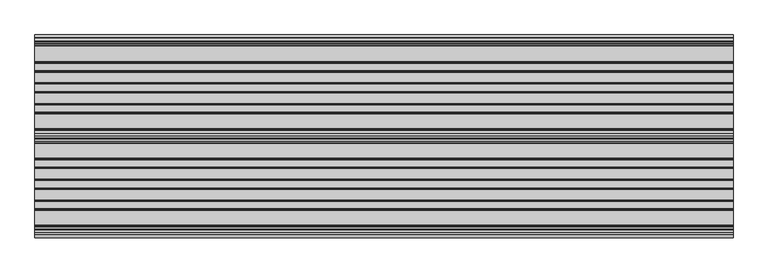
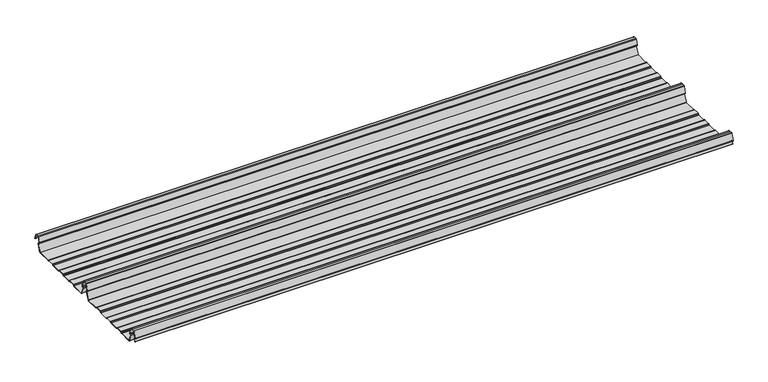
"""IFC4 building model written with IfcOpenShell, lengths in millimetres: beam geometry."""

from ifc_helpers import new_model, si_unit, point, frame, frame_2d, origin, place, context, project, spatial, polyline, circle_curve, trimmed, segment, composite_curve, outline, extrude, source, transform, mapped, element, save


def beam_1dca5ccc(model_context):
    return source(origin(), model_context, "Body", "SweptSolid", [
        extrude(outline(composite_curve([segment(polyline([(231.1362436, -25.7896475), (192.6213203, -25.7896475)]), True, "CONTINUOUS"), segment(trimmed(circle_curve(frame_2d((192.6213203, -24.0396475)), 1.75), [point((192.6213203, -25.7896475))], [point((191.3838835, -25.2770843))], False, "CARTESIAN"), True, "CONTINUOUS"), segment(polyline([(191.3838835, -25.2770843), (189.2211155, -23.1143163)]), True, "CONTINUOUS"), segment(trimmed(circle_curve(frame_2d((188.4372955, -23.8981363)), 1.1084889), [point((189.2211155, -23.1143163))], [point((188.4372955, -22.7896475))], True, "CARTESIAN"), True, "CONTINUOUS"), segment(polyline([(188.4372955, -22.7896475), (169.5627045, -22.7896475)]), True, "CONTINUOUS"), segment(trimmed(circle_curve(frame_2d((169.5627045, -23.8981363)), 1.1084889), [point((169.5627045, -22.7896475))], [point((168.7788845, -23.1143163))], True, "CARTESIAN"), True, "CONTINUOUS"), segment(polyline([(168.7788845, -23.1143163), (166.6161165, -25.2770843)]), True, "CONTINUOUS"), segment(trimmed(circle_curve(frame_2d((165.3786797, -24.0396475)), 1.75), [point((166.6161165, -25.2770843))], [point((165.3786797, -25.7896475))], False, "CARTESIAN"), True, "CONTINUOUS"), segment(polyline([(165.3786797, -25.7896475), (138.6213203, -25.7896475)]), True, "CONTINUOUS"), segment(trimmed(circle_curve(frame_2d((138.6213203, -24.0396475)), 1.75), [point((138.6213203, -25.7896475))], [point((137.3838835, -25.2770843))], False, "CARTESIAN"), True, "CONTINUOUS"), segment(polyline([(137.3838835, -25.2770843), (135.2211155, -23.1143163)]), True, "CONTINUOUS"), segment(trimmed(circle_curve(frame_2d((134.4372955, -23.8981363)), 1.1084889), [point((135.2211155, -23.1143163))], [point((134.4372955, -22.7896475))], True, "CARTESIAN"), True, "CONTINUOUS"), segment(polyline([(134.4372955, -22.7896475), (115.5627045, -22.7896475)]), True, "CONTINUOUS"), segment(trimmed(circle_curve(frame_2d((115.5627045, -23.8981363)), 1.1084889), [point((115.5627045, -22.7896475))], [point((114.7788845, -23.1143163))], True, "CARTESIAN"), True, "CONTINUOUS"), segment(polyline([(114.7788845, -23.1143163), (112.6161165, -25.2770843)]), True, "CONTINUOUS"), segment(trimmed(circle_curve(frame_2d((111.3786797, -24.0396475)), 1.75), [point((112.6161165, -25.2770843))], [point((111.3786797, -25.7896475))], False, "CARTESIAN"), True, "CONTINUOUS"), segment(polyline([(111.3786797, -25.7896475), (84.6213203, -25.7896475)]), True, "CONTINUOUS"), segment(trimmed(circle_curve(frame_2d((84.6213203, -24.0396475)), 1.75), [point((84.6213203, -25.7896475))], [point((83.3838835, -25.2770843))], False, "CARTESIAN"), True, "CONTINUOUS"), segment(polyline([(83.3838835, -25.2770843), (81.2211155, -23.1143163)]), True, "CONTINUOUS"), segment(trimmed(circle_curve(frame_2d((80.4372955, -23.8981363)), 1.1084889), [point((81.2211155, -23.1143163))], [point((80.4372955, -22.7896475))], True, "CARTESIAN"), True, "CONTINUOUS"), segment(polyline([(80.4372955, -22.7896475), (61.5627045, -22.7896475)]), True, "CONTINUOUS"), segment(trimmed(circle_curve(frame_2d((61.5627045, -23.8981363)), 1.1084889), [point((61.5627045, -22.7896475))], [point((60.7788845, -23.1143163))], True, "CARTESIAN"), True, "CONTINUOUS"), segment(polyline([(60.7788845, -23.1143163), (58.6161165, -25.2770843)]), True, "CONTINUOUS"), segment(trimmed(circle_curve(frame_2d((57.3786797, -24.0396475)), 1.75), [point((58.6161165, -25.2770843))], [point((57.3786797, -25.7896475))], False, "CARTESIAN"), True, "CONTINUOUS"), segment(polyline([(57.3786797, -25.7896475), (18.8637564, -25.7896475)]), True, "CONTINUOUS"), segment(trimmed(circle_curve(frame_2d((18.8637564, -24.0396475)), 1.75), [point((18.8637564, -25.7896475))], [point((17.2192943, -24.6381827))], False, "CARTESIAN"), True, "CONTINUOUS"), segment(polyline([(17.2192943, -24.6381827), (8.3111998, -2.1633943)]), True, "CONTINUOUS"), segment(trimmed(circle_curve(frame_2d((9.9556619, -1.5648591)), 1.75), [point((8.3111998, -2.1633943))], [point((9.5027286, 0.1255111))], False, "CARTESIAN"), True, "CONTINUOUS"), segment(polyline([(9.5027286, 0.1255111), (12.1580524, 0.837003)]), True, "CONTINUOUS"), segment(trimmed(circle_curve(frame_2d((11.8345286, 2.0444103)), 1.25), [point((12.1580524, 0.837003))], [point((13.0091444, 2.4719355))], True, "CARTESIAN"), True, "CONTINUOUS"), segment(polyline([(13.0091444, 2.4719355), (6.1889183, 21.2103525), (0.0, 21.2103525), (-6.1889183, 21.2103525), (-13.0091444, 2.4719355)]), True, "CONTINUOUS"), segment(trimmed(circle_curve(frame_2d((-11.8345286, 2.0444103)), 1.25), [point((-13.0091444, 2.4719355))], [point((-12.1580524, 0.837003))], True, "CARTESIAN"), True, "CONTINUOUS"), segment(polyline([(-12.1580524, 0.837003), (-9.5027286, 0.1255111)]), True, "CONTINUOUS"), segment(trimmed(circle_curve(frame_2d((-9.9556619, -1.5648591)), 1.75), [point((-9.5027286, 0.1255111))], [point((-8.3111998, -2.1633943))], False, "CARTESIAN"), True, "CONTINUOUS"), segment(polyline([(-8.3111998, -2.1633943), (-11.5831563, -10.4184177)]), True, "CONTINUOUS"), segment(trimmed(circle_curve(frame_2d((-12.0479758, -10.2341821)), 0.5), [point((-11.5831563, -10.4184177))], [point((-12.5127954, -10.0499465))], False, "CARTESIAN"), True, "CONTINUOUS"), segment(polyline([(-12.5127954, -10.0499465), (-9.2471414, -1.8108238)]), True, "CONTINUOUS"), segment(trimmed(circle_curve(frame_2d((-9.9556619, -1.5648591)), 0.75), [point((-9.2471414, -1.8108238))], [point((-9.7615476, -0.8404147))], True, "CARTESIAN"), True, "CONTINUOUS"), segment(polyline([(-9.7615476, -0.8404147), (-12.4168715, -0.1289228)]), True, "CONTINUOUS"), segment(trimmed(circle_curve(frame_2d((-11.8345286, 2.0444103)), 2.25), [point((-12.4168715, -0.1289228))], [point((-13.948837, 2.8139556))], False, "CARTESIAN"), True, "CONTINUOUS"), segment(polyline([(-13.948837, 2.8139556), (-7.1273286, 21.5558959)]), True, "CONTINUOUS"), segment(trimmed(circle_curve(frame_2d((-6.1926676, 21.2157071)), 0.9946455), [point((-7.1273286, 21.5558959))], [point((-6.1926676, 22.2103525))], False, "CARTESIAN"), True, "CONTINUOUS"), segment(polyline([(-6.1926676, 22.2103525), (0.0, 22.2103525), (6.1926676, 22.2103525)]), True, "CONTINUOUS"), segment(trimmed(circle_curve(frame_2d((6.1926676, 21.2157071)), 0.9946455), [point((6.1926676, 22.2103525))], [point((7.1273286, 21.5558959))], False, "CARTESIAN"), True, "CONTINUOUS"), segment(polyline([(7.1273286, 21.5558959), (13.948837, 2.8139556)]), True, "CONTINUOUS"), segment(trimmed(circle_curve(frame_2d((11.8345286, 2.0444103)), 2.25), [point((13.948837, 2.8139556))], [point((12.4168715, -0.1289228))], False, "CARTESIAN"), True, "CONTINUOUS"), segment(polyline([(12.4168715, -0.1289228), (9.7615476, -0.8404147)]), True, "CONTINUOUS"), segment(trimmed(circle_curve(frame_2d((9.9556619, -1.5648591)), 0.75), [point((9.7615476, -0.8404147))], [point((9.2471414, -1.8108238))], True, "CARTESIAN"), True, "CONTINUOUS"), segment(polyline([(9.2471414, -1.8108238), (18.1552359, -24.2856122)]), True, "CONTINUOUS"), segment(trimmed(circle_curve(frame_2d((18.8637564, -24.0396475)), 0.75), [point((18.1552359, -24.2856122))], [point((18.8637564, -24.7896475))], True, "CARTESIAN"), True, "CONTINUOUS"), segment(polyline([(18.8637564, -24.7896475), (57.2579599, -24.7896475)]), True, "CONTINUOUS"), segment(trimmed(circle_curve(frame_2d((57.2579599, -23.7482041)), 1.0414433), [point((57.2579599, -24.7896475))], [point((57.9943715, -24.4846158))], True, "CARTESIAN"), True, "CONTINUOUS"), segment(polyline([(57.9943715, -24.4846158), (60.0303301, -22.4486572)]), True, "CONTINUOUS"), segment(trimmed(circle_curve(frame_2d((61.6213203, -24.0396475)), 2.25), [point((60.0303301, -22.4486572))], [point((61.6213203, -21.7896475))], False, "CARTESIAN"), True, "CONTINUOUS"), segment(polyline([(61.6213203, -21.7896475), (80.3786797, -21.7896475)]), True, "CONTINUOUS"), segment(trimmed(circle_curve(frame_2d((80.3786797, -24.0396475)), 2.25), [point((80.3786797, -21.7896475))], [point((81.9696699, -22.4486572))], False, "CARTESIAN"), True, "CONTINUOUS"), segment(polyline([(81.9696699, -22.4486572), (84.0056285, -24.4846158)]), True, "CONTINUOUS"), segment(trimmed(circle_curve(frame_2d((84.7420401, -23.7482041)), 1.0414433), [point((84.0056285, -24.4846158))], [point((84.7420401, -24.7896475))], True, "CARTESIAN"), True, "CONTINUOUS"), segment(polyline([(84.7420401, -24.7896475), (111.2579599, -24.7896475)]), True, "CONTINUOUS"), segment(trimmed(circle_curve(frame_2d((111.2579599, -23.7482041)), 1.0414433), [point((111.2579599, -24.7896475))], [point((111.9943715, -24.4846158))], True, "CARTESIAN"), True, "CONTINUOUS"), segment(polyline([(111.9943715, -24.4846158), (114.0303301, -22.4486572)]), True, "CONTINUOUS"), segment(trimmed(circle_curve(frame_2d((115.6213203, -24.0396475)), 2.25), [point((114.0303301, -22.4486572))], [point((115.6213203, -21.7896475))], False, "CARTESIAN"), True, "CONTINUOUS"), segment(polyline([(115.6213203, -21.7896475), (134.3786797, -21.7896475)]), True, "CONTINUOUS"), segment(trimmed(circle_curve(frame_2d((134.3786797, -24.0396475)), 2.25), [point((134.3786797, -21.7896475))], [point((135.9696699, -22.4486572))], False, "CARTESIAN"), True, "CONTINUOUS"), segment(polyline([(135.9696699, -22.4486572), (138.0056285, -24.4846158)]), True, "CONTINUOUS"), segment(trimmed(circle_curve(frame_2d((138.7420401, -23.7482041)), 1.0414433), [point((138.0056285, -24.4846158))], [point((138.7420401, -24.7896475))], True, "CARTESIAN"), True, "CONTINUOUS"), segment(polyline([(138.7420401, -24.7896475), (165.2579599, -24.7896475)]), True, "CONTINUOUS"), segment(trimmed(circle_curve(frame_2d((165.2579599, -23.7482041)), 1.0414433), [point((165.2579599, -24.7896475))], [point((165.9943715, -24.4846158))], True, "CARTESIAN"), True, "CONTINUOUS"), segment(polyline([(165.9943715, -24.4846158), (168.0303301, -22.4486572)]), True, "CONTINUOUS"), segment(trimmed(circle_curve(frame_2d((169.6213203, -24.0396475)), 2.25), [point((168.0303301, -22.4486572))], [point((169.6213203, -21.7896475))], False, "CARTESIAN"), True, "CONTINUOUS"), segment(polyline([(169.6213203, -21.7896475), (188.3786797, -21.7896475)]), True, "CONTINUOUS"), segment(trimmed(circle_curve(frame_2d((188.3786797, -24.0396475)), 2.25), [point((188.3786797, -21.7896475))], [point((189.9696699, -22.4486572))], False, "CARTESIAN"), True, "CONTINUOUS"), segment(polyline([(189.9696699, -22.4486572), (192.0056285, -24.4846158)]), True, "CONTINUOUS"), segment(trimmed(circle_curve(frame_2d((192.7420401, -23.7482041)), 1.0414433), [point((192.0056285, -24.4846158))], [point((192.7420401, -24.7896475))], True, "CARTESIAN"), True, "CONTINUOUS"), segment(polyline([(192.7420401, -24.7896475), (231.1362436, -24.7896475)]), True, "CONTINUOUS"), segment(trimmed(circle_curve(frame_2d((231.1362436, -24.0396475)), 0.75), [point((231.1362436, -24.7896475))], [point((231.8447641, -24.2856122))], True, "CARTESIAN"), True, "CONTINUOUS"), segment(polyline([(231.8447641, -24.2856122), (240.7528586, -1.8108238)]), True, "CONTINUOUS"), segment(trimmed(circle_curve(frame_2d((240.0443381, -1.5648591)), 0.75), [point((240.7528586, -1.8108238))], [point((240.2384524, -0.8404147))], True, "CARTESIAN"), True, "CONTINUOUS"), segment(polyline([(240.2384524, -0.8404147), (237.5831285, -0.1289228)]), True, "CONTINUOUS"), segment(trimmed(circle_curve(frame_2d((238.1654714, 2.0444103)), 2.25), [point((237.5831285, -0.1289228))], [point((236.051163, 2.8139556))], False, "CARTESIAN"), True, "CONTINUOUS"), segment(polyline([(236.051163, 2.8139556), (242.8726714, 21.5558959)]), True, "CONTINUOUS"), segment(trimmed(circle_curve(frame_2d((243.8073324, 21.2157071)), 0.9946455), [point((242.8726714, 21.5558959))], [point((243.8073324, 22.2103525))], False, "CARTESIAN"), True, "CONTINUOUS"), segment(polyline([(243.8073324, 22.2103525), (250.0, 22.2103525), (256.1926676, 22.2103525)]), True, "CONTINUOUS"), segment(trimmed(circle_curve(frame_2d((256.1926676, 21.2157071)), 0.9946455), [point((256.1926676, 22.2103525))], [point((257.1273286, 21.5558959))], False, "CARTESIAN"), True, "CONTINUOUS"), segment(polyline([(257.1273286, 21.5558959), (263.948837, 2.8139556)]), True, "CONTINUOUS"), segment(trimmed(circle_curve(frame_2d((261.8345286, 2.0444103)), 2.25), [point((263.948837, 2.8139556))], [point((262.4168715, -0.1289228))], False, "CARTESIAN"), True, "CONTINUOUS"), segment(polyline([(262.4168715, -0.1289228), (259.7615476, -0.8404147)]), True, "CONTINUOUS"), segment(trimmed(circle_curve(frame_2d((259.9556619, -1.5648591)), 0.75), [point((259.7615476, -0.8404147))], [point((259.2471414, -1.8108238))], True, "CARTESIAN"), True, "CONTINUOUS"), segment(polyline([(259.2471414, -1.8108238), (268.1552359, -24.2856122)]), True, "CONTINUOUS"), segment(trimmed(circle_curve(frame_2d((268.8637564, -24.0396475)), 0.75), [point((268.1552359, -24.2856122))], [point((268.8637564, -24.7896475))], True, "CARTESIAN"), True, "CONTINUOUS"), segment(polyline([(268.8637564, -24.7896475), (307.2579599, -24.7896475)]), True, "CONTINUOUS"), segment(trimmed(circle_curve(frame_2d((307.2579599, -23.7482041)), 1.0414433), [point((307.2579599, -24.7896475))], [point((307.9943715, -24.4846158))], True, "CARTESIAN"), True, "CONTINUOUS"), segment(polyline([(307.9943715, -24.4846158), (310.0303301, -22.4486572)]), True, "CONTINUOUS"), segment(trimmed(circle_curve(frame_2d((311.6213203, -24.0396475)), 2.25), [point((310.0303301, -22.4486572))], [point((311.6213203, -21.7896475))], False, "CARTESIAN"), True, "CONTINUOUS"), segment(polyline([(311.6213203, -21.7896475), (330.3786797, -21.7896475)]), True, "CONTINUOUS"), segment(trimmed(circle_curve(frame_2d((330.3786797, -24.0396475)), 2.25), [point((330.3786797, -21.7896475))], [point((331.9696699, -22.4486572))], False, "CARTESIAN"), True, "CONTINUOUS"), segment(polyline([(331.9696699, -22.4486572), (334.0056285, -24.4846158)]), True, "CONTINUOUS"), segment(trimmed(circle_curve(frame_2d((334.7420401, -23.7482041)), 1.0414433), [point((334.0056285, -24.4846158))], [point((334.7420401, -24.7896475))], True, "CARTESIAN"), True, "CONTINUOUS"), segment(polyline([(334.7420401, -24.7896475), (361.2579599, -24.7896475)]), True, "CONTINUOUS"), segment(trimmed(circle_curve(frame_2d((361.2579599, -23.7482041)), 1.0414433), [point((361.2579599, -24.7896475))], [point((361.9943715, -24.4846158))], True, "CARTESIAN"), True, "CONTINUOUS"), segment(polyline([(361.9943715, -24.4846158), (364.0303301, -22.4486572)]), True, "CONTINUOUS"), segment(trimmed(circle_curve(frame_2d((365.6213203, -24.0396475)), 2.25), [point((364.0303301, -22.4486572))], [point((365.6213203, -21.7896475))], False, "CARTESIAN"), True, "CONTINUOUS"), segment(polyline([(365.6213203, -21.7896475), (384.3786797, -21.7896475)]), True, "CONTINUOUS"), segment(trimmed(circle_curve(frame_2d((384.3786797, -24.0396475)), 2.25), [point((384.3786797, -21.7896475))], [point((385.9696699, -22.4486572))], False, "CARTESIAN"), True, "CONTINUOUS"), segment(polyline([(385.9696699, -22.4486572), (388.0056285, -24.4846158)]), True, "CONTINUOUS"), segment(trimmed(circle_curve(frame_2d((388.7420401, -23.7482041)), 1.0414433), [point((388.0056285, -24.4846158))], [point((388.7420401, -24.7896475))], True, "CARTESIAN"), True, "CONTINUOUS"), segment(polyline([(388.7420401, -24.7896475), (415.2579599, -24.7896475)]), True, "CONTINUOUS"), segment(trimmed(circle_curve(frame_2d((415.2579599, -23.7482041)), 1.0414433), [point((415.2579599, -24.7896475))], [point((415.9943715, -24.4846158))], True, "CARTESIAN"), True, "CONTINUOUS"), segment(polyline([(415.9943715, -24.4846158), (418.0303301, -22.4486572)]), True, "CONTINUOUS"), segment(trimmed(circle_curve(frame_2d((419.6213203, -24.0396475)), 2.25), [point((418.0303301, -22.4486572))], [point((419.6213203, -21.7896475))], False, "CARTESIAN"), True, "CONTINUOUS"), segment(polyline([(419.6213203, -21.7896475), (438.3786797, -21.7896475)]), True, "CONTINUOUS"), segment(trimmed(circle_curve(frame_2d((438.3786797, -24.0396475)), 2.25), [point((438.3786797, -21.7896475))], [point((439.9696699, -22.4486572))], False, "CARTESIAN"), True, "CONTINUOUS"), segment(polyline([(439.9696699, -22.4486572), (442.0056285, -24.4846158)]), True, "CONTINUOUS"), segment(trimmed(circle_curve(frame_2d((442.7420401, -23.7482041)), 1.0414433), [point((442.0056285, -24.4846158))], [point((442.7420401, -24.7896475))], True, "CARTESIAN"), True, "CONTINUOUS"), segment(polyline([(442.7420401, -24.7896475), (483.287616, -24.7896475)]), True, "CONTINUOUS"), segment(trimmed(circle_curve(frame_2d((483.287616, -24.0396475)), 0.75), [point((483.287616, -24.7896475))], [point((483.9722515, -24.3458733))], True, "CARTESIAN"), True, "CONTINUOUS"), segment(polyline([(483.9722515, -24.3458733), (492.6230664, -2.5201915)]), True, "CONTINUOUS"), segment(trimmed(circle_curve(frame_2d((490.0443381, -1.5648591)), 2.75), [point((492.6230664, -2.5201915))], [point((490.265897, 1.1762012))], True, "CARTESIAN"), True, "CONTINUOUS"), segment(trimmed(circle_curve(frame_2d((490.426413, 3.162057)), 1.9923325), [point((490.265897, 1.1762012))], [point((488.5542329, 3.8434749))], False, "CARTESIAN"), True, "CONTINUOUS"), segment(polyline([(488.5542329, 3.8434749), (494.032319, 18.8943928)]), True, "CONTINUOUS"), segment(trimmed(circle_curve(frame_2d((495.9117043, 18.2103525)), 2.0), [point((494.032319, 18.8943928))], [point((495.9117043, 20.2103525))], False, "CARTESIAN"), True, "CONTINUOUS"), segment(polyline([(495.9117043, 20.2103525), (504.0882957, 20.2103525)]), True, "CONTINUOUS"), segment(trimmed(circle_curve(frame_2d((504.0882957, 18.2103525)), 2.0), [point((504.0882957, 20.2103525))], [point((505.967681, 18.8943928))], False, "CARTESIAN"), True, "CONTINUOUS"), segment(polyline([(505.967681, 18.8943928), (511.4196082, 3.9153458)]), True, "CONTINUOUS"), segment(trimmed(circle_curve(frame_2d((510.9497619, 3.7443357)), 0.5), [point((511.4196082, 3.9153458))], [point((510.4799156, 3.5733257))], False, "CARTESIAN"), True, "CONTINUOUS"), segment(polyline([(510.4799156, 3.5733257), (505.0279884, 18.5523727)]), True, "CONTINUOUS"), segment(trimmed(circle_curve(frame_2d((504.0882957, 18.2103525)), 1.0), [point((505.0279884, 18.5523727))], [point((504.0882957, 19.2103525))], True, "CARTESIAN"), True, "CONTINUOUS"), segment(polyline([(504.0882957, 19.2103525), (495.9117043, 19.2103525)]), True, "CONTINUOUS"), segment(trimmed(circle_curve(frame_2d((495.9117043, 18.2103525)), 1.0), [point((495.9117043, 19.2103525))], [point((494.9720116, 18.5523727))], True, "CARTESIAN"), True, "CONTINUOUS"), segment(polyline([(494.9720116, 18.5523727), (489.4939255, 3.5014547)]), True, "CONTINUOUS"), segment(trimmed(circle_curve(frame_2d((490.426413, 3.162057)), 0.9923325), [point((489.4939255, 3.5014547))], [point((490.3464639, 2.1729504))], True, "CARTESIAN"), True, "CONTINUOUS"), segment(trimmed(circle_curve(frame_2d((490.0443381, -1.5648591)), 3.75), [point((490.3464639, 2.1729504))], [point((493.5565428, -2.8789816))], False, "CARTESIAN"), True, "CONTINUOUS"), segment(polyline([(493.5565428, -2.8789816), (484.8955882, -24.7302452)]), True, "CONTINUOUS"), segment(trimmed(circle_curve(frame_2d((483.287616, -24.0396475)), 1.75), [point((484.8955882, -24.7302452))], [point((483.287616, -25.7896475))], False, "CARTESIAN"), True, "CONTINUOUS"), segment(polyline([(483.287616, -25.7896475), (442.6213203, -25.7896475)]), True, "CONTINUOUS"), segment(trimmed(circle_curve(frame_2d((442.6213203, -24.0396475)), 1.75), [point((442.6213203, -25.7896475))], [point((441.3838835, -25.2770843))], False, "CARTESIAN"), True, "CONTINUOUS"), segment(polyline([(441.3838835, -25.2770843), (439.2211155, -23.1143163)]), True, "CONTINUOUS"), segment(trimmed(circle_curve(frame_2d((438.4372955, -23.8981363)), 1.1084889), [point((439.2211155, -23.1143163))], [point((438.4372955, -22.7896475))], True, "CARTESIAN"), True, "CONTINUOUS"), segment(polyline([(438.4372955, -22.7896475), (419.5627045, -22.7896475)]), True, "CONTINUOUS"), segment(trimmed(circle_curve(frame_2d((419.5627045, -23.8981363)), 1.1084889), [point((419.5627045, -22.7896475))], [point((418.7788845, -23.1143163))], True, "CARTESIAN"), True, "CONTINUOUS"), segment(polyline([(418.7788845, -23.1143163), (416.6161165, -25.2770843)]), True, "CONTINUOUS"), segment(trimmed(circle_curve(frame_2d((415.3786797, -24.0396475)), 1.75), [point((416.6161165, -25.2770843))], [point((415.3786797, -25.7896475))], False, "CARTESIAN"), True, "CONTINUOUS"), segment(polyline([(415.3786797, -25.7896475), (388.6213203, -25.7896475)]), True, "CONTINUOUS"), segment(trimmed(circle_curve(frame_2d((388.6213203, -24.0396475)), 1.75), [point((388.6213203, -25.7896475))], [point((387.3838835, -25.2770843))], False, "CARTESIAN"), True, "CONTINUOUS"), segment(polyline([(387.3838835, -25.2770843), (385.2211155, -23.1143163)]), True, "CONTINUOUS"), segment(trimmed(circle_curve(frame_2d((384.4372955, -23.8981363)), 1.1084889), [point((385.2211155, -23.1143163))], [point((384.4372955, -22.7896475))], True, "CARTESIAN"), True, "CONTINUOUS"), segment(polyline([(384.4372955, -22.7896475), (365.5627045, -22.7896475)]), True, "CONTINUOUS"), segment(trimmed(circle_curve(frame_2d((365.5627045, -23.8981363)), 1.1084889), [point((365.5627045, -22.7896475))], [point((364.7788845, -23.1143163))], True, "CARTESIAN"), True, "CONTINUOUS"), segment(polyline([(364.7788845, -23.1143163), (362.6161165, -25.2770843)]), True, "CONTINUOUS"), segment(trimmed(circle_curve(frame_2d((361.3786797, -24.0396475)), 1.75), [point((362.6161165, -25.2770843))], [point((361.3786797, -25.7896475))], False, "CARTESIAN"), True, "CONTINUOUS"), segment(polyline([(361.3786797, -25.7896475), (334.6213203, -25.7896475)]), True, "CONTINUOUS"), segment(trimmed(circle_curve(frame_2d((334.6213203, -24.0396475)), 1.75), [point((334.6213203, -25.7896475))], [point((333.3838835, -25.2770843))], False, "CARTESIAN"), True, "CONTINUOUS"), segment(polyline([(333.3838835, -25.2770843), (331.2211155, -23.1143163)]), True, "CONTINUOUS"), segment(trimmed(circle_curve(frame_2d((330.4372955, -23.8981363)), 1.1084889), [point((331.2211155, -23.1143163))], [point((330.4372955, -22.7896475))], True, "CARTESIAN"), True, "CONTINUOUS"), segment(polyline([(330.4372955, -22.7896475), (311.5627045, -22.7896475)]), True, "CONTINUOUS"), segment(trimmed(circle_curve(frame_2d((311.5627045, -23.8981363)), 1.1084889), [point((311.5627045, -22.7896475))], [point((310.7788845, -23.1143163))], True, "CARTESIAN"), True, "CONTINUOUS"), segment(polyline([(310.7788845, -23.1143163), (308.6161165, -25.2770843)]), True, "CONTINUOUS"), segment(trimmed(circle_curve(frame_2d((307.3786797, -24.0396475)), 1.75), [point((308.6161165, -25.2770843))], [point((307.3786797, -25.7896475))], False, "CARTESIAN"), True, "CONTINUOUS"), segment(polyline([(307.3786797, -25.7896475), (268.8637564, -25.7896475)]), True, "CONTINUOUS"), segment(trimmed(circle_curve(frame_2d((268.8637564, -24.0396475)), 1.75), [point((268.8637564, -25.7896475))], [point((267.2192943, -24.6381827))], False, "CARTESIAN"), True, "CONTINUOUS"), segment(polyline([(267.2192943, -24.6381827), (258.3111998, -2.1633943)]), True, "CONTINUOUS"), segment(trimmed(circle_curve(frame_2d((259.9556619, -1.5648591)), 1.75), [point((258.3111998, -2.1633943))], [point((259.5027286, 0.1255111))], False, "CARTESIAN"), True, "CONTINUOUS"), segment(polyline([(259.5027286, 0.1255111), (262.1580524, 0.837003)]), True, "CONTINUOUS"), segment(trimmed(circle_curve(frame_2d((261.8345286, 2.0444103)), 1.25), [point((262.1580524, 0.837003))], [point((263.0091444, 2.4719355))], True, "CARTESIAN"), True, "CONTINUOUS"), segment(polyline([(263.0091444, 2.4719355), (256.1889183, 21.2103525), (250.0, 21.2103525), (243.8110817, 21.2103525), (236.9908556, 2.4719355)]), True, "CONTINUOUS"), segment(trimmed(circle_curve(frame_2d((238.1654714, 2.0444103)), 1.25), [point((236.9908556, 2.4719355))], [point((237.8419476, 0.837003))], True, "CARTESIAN"), True, "CONTINUOUS"), segment(polyline([(237.8419476, 0.837003), (240.4972714, 0.1255111)]), True, "CONTINUOUS"), segment(trimmed(circle_curve(frame_2d((240.0443381, -1.5648591)), 1.75), [point((240.4972714, 0.1255111))], [point((241.6888002, -2.1633943))], False, "CARTESIAN"), True, "CONTINUOUS"), segment(polyline([(241.6888002, -2.1633943), (232.7807057, -24.6381827)]), True, "CONTINUOUS"), segment(trimmed(circle_curve(frame_2d((231.1362436, -24.0396475)), 1.75), [point((232.7807057, -24.6381827))], [point((231.1362436, -25.7896475))], False, "CARTESIAN"), True, "CONTINUOUS")], self_intersect=False)), frame((-905.0, 0.0, 0.0), z_axis=(1.0, 0.0, 0.0), x_axis=(0.0, 1.0, 0.0)), (0.0, 0.0, 1.0), 1810.0),
    ])


if __name__ == "__main__":
    model = new_model("IFC4")
    model_context = context("Model", 3, world=origin())
    ifc_project = project(units=[si_unit("LENGTHUNIT", "METRE", prefix="MILLI")], contexts=[model_context])
    site = spatial("IfcSite", under=ifc_project)
    building = spatial("IfcBuilding", under=site)
    placement = place(None, origin())
    beam_shape = beam_1dca5ccc(model_context)
    element("IfcBeam", 1, at=placement, inside=building, context=model_context, shape_type="MappedRepresentation", body=[
        mapped(beam_shape, transform((0.0, 0.0, 0.0), x_axis=(1.0, 0.0, 0.0), y_axis=(0.0, 1.0, 0.0), z_axis=(0.0, 0.0, 1.0))),
    ])
    save(model, "model.ifc")
